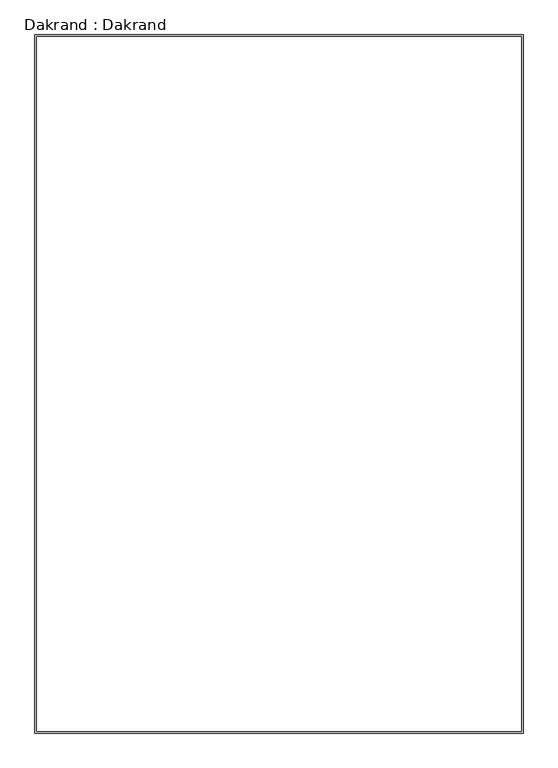
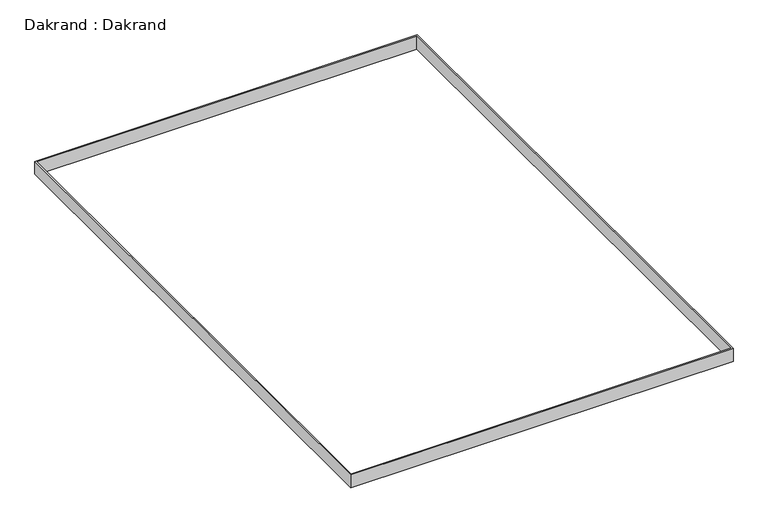
"""IFC4 building model written with IfcOpenShell, lengths in millimetres: proxy geometry, Dakrand : Dakrand."""

from ifc_helpers import new_model, si_unit, frame, origin, place, context, project, spatial, polyline, outline, extrude, source, transform, mapped, element, save


def dakrand_dakrand_d75f3fe2(model_context):
    return source(origin(), model_context, "Body", "SweptSolid", [
        extrude(outline(polyline([(-220809.2260772, -34425.9133797), (-220809.2260772, -50343.4133797), (-231937.2260773, -50343.4133797), (-231937.2260773, -34425.9133797), (-220809.2260772, -34425.9133797)]), holes=[polyline([(-231897.2260773, -34465.9133797), (-231897.2260773, -50303.4133797), (-220849.2260772, -50303.4133797), (-220849.2260772, -34465.9133797), (-231897.2260773, -34465.9133797)])]), frame((0.0, 0.0, 8979.7340496), z_axis=(0.0, 0.0, 1.0), x_axis=(1.0, 0.0, 0.0)), (0.0, 0.0, 1.0), 397.0534217),
    ])


if __name__ == "__main__":
    model = new_model("IFC4")
    model_context = context("Model", 3, world=origin())
    ifc_project = project(units=[si_unit("LENGTHUNIT", "METRE", prefix="MILLI")], contexts=[model_context])
    site = spatial("IfcSite", under=ifc_project)
    building = spatial("IfcBuilding", under=site)
    placement = place(None, origin())
    dakrand_dakrand_shape = dakrand_dakrand_d75f3fe2(model_context)
    element("IfcBuildingElementProxy", 1, Name="Dakrand : Dakrand", ObjectType="Dakrand : Dakrand", at=placement, inside=building, context=model_context, shape_type="MappedRepresentation", body=[
        mapped(dakrand_dakrand_shape, transform((0.0, 0.0, 0.0), x_axis=(1.0, 0.0, 0.0), y_axis=(0.0, 1.0, 0.0), z_axis=(0.0, 0.0, 1.0))),
    ])
    save(model, "model.ifc")
